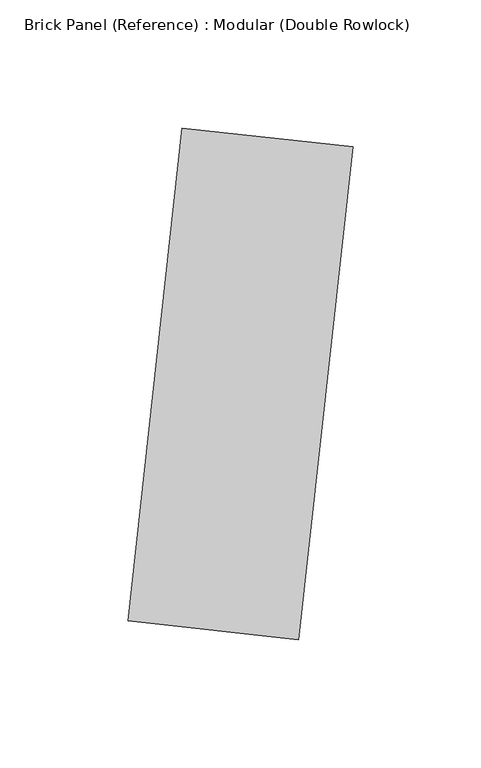
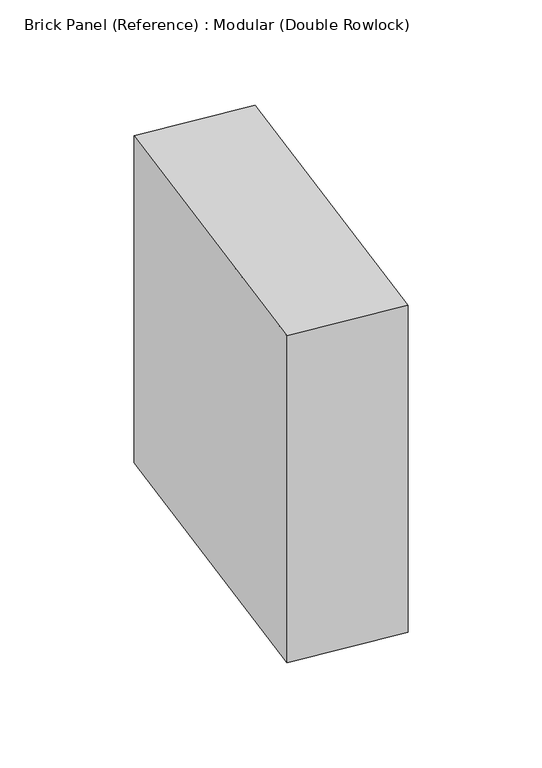
"""IFC4 building model written with IfcOpenShell, lengths in millimetres: plate geometry, Brick Panel (Reference) : Modular (Double Rowlock)."""

from ifc_helpers import new_model, si_unit, origin, origin_with_axes, place, context, project, spatial, polyline, outline, extrude, source, transform, mapped, element, save


def brick_panel_reference_modular_double_rowlock_89d2cee1(model_context):
    return source(origin(), model_context, "Body", "SweptSolid", [
        extrude(outline(polyline([(94.1056004, 197.9462629), (115.3653162, 390.4508865), (182.1193996, 383.0787371), (160.8596838, 190.5741135), (94.1056004, 197.9462629)])), origin_with_axes(), (0.0, 0.0, 1.0), 203.2),
    ])


if __name__ == "__main__":
    model = new_model("IFC4")
    model_context = context("Model", 3, world=origin())
    ifc_project = project(units=[si_unit("LENGTHUNIT", "METRE", prefix="MILLI")], contexts=[model_context])
    site = spatial("IfcSite", under=ifc_project)
    building = spatial("IfcBuilding", under=site)
    placement = place(None, origin())
    brick_panel_reference_modular_double_rowlock_shape = brick_panel_reference_modular_double_rowlock_89d2cee1(model_context)
    element("IfcPlate", 1, ObjectType="Brick Panel (Reference) : Modular (Double Rowlock)", at=placement, inside=building, context=model_context, shape_type="MappedRepresentation", body=[
        mapped(brick_panel_reference_modular_double_rowlock_shape, transform((0.0, 0.0, 0.0), x_axis=(1.0, 0.0, 0.0), y_axis=(0.0, 1.0, 0.0), z_axis=(0.0, 0.0, 1.0))),
    ])
    save(model, "model.ifc")
